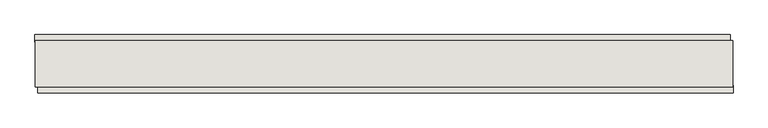
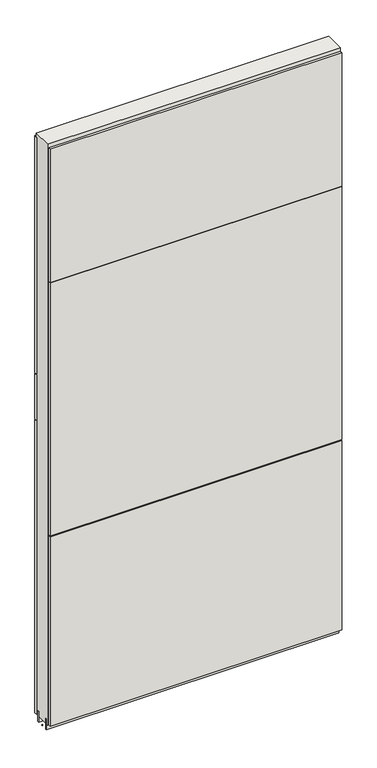
"""IFC4 building model written with IfcOpenShell, lengths in millimetres: wall geometry."""

from ifc_helpers import new_model, si_unit, frame, origin, place, context, project, spatial, polyline, outline, extrude, source, transform, mapped, element, save


def wall_b662fb53(model_context):
    return source(origin(), model_context, "Body", "SweptSolid", [
        extrude(outline(polyline([(41657.2761976, -42604.827668), (41654.7361976, -42604.827668), (41654.7361976, -42602.287668), (41657.2761976, -42602.287668), (41657.2761976, -42604.827668)])), frame((0.0, 0.0, 4419.6), z_axis=(0.0, 0.0, 1.0), x_axis=(1.0, 0.0, 0.0)), (0.0, 0.0, 1.0), 2.54),
        extrude(outline(polyline([(41654.2730794, -42552.757668), (42869.4730874, -42552.757668), (42869.4730874, -42565.457668), (41654.2730794, -42565.457668), (41654.2730794, -42552.757668)])), frame((0.0, 0.0, 5945.6000722), z_axis=(0.0, 0.0, 1.0), x_axis=(1.0, 0.0, 0.0)), (0.0, 0.0, 1.0), 1044.449905),
        extrude(outline(polyline([(41654.2730794, -42552.757668), (42869.4730874, -42552.757668), (42869.4730874, -42565.457668), (41654.2730794, -42565.457668), (41654.2730794, -42552.757668)])), frame((0.0, 0.0, 5742.3999706), z_axis=(0.0, 0.0, 1.0), x_axis=(1.0, 0.0, 0.0)), (0.0, 0.0, 1.0), 199.2000512),
        extrude(outline(polyline([(41654.2730794, -42552.757668), (42869.4730874, -42552.757668), (42869.4730874, -42565.457668), (41654.2730794, -42565.457668), (41654.2730794, -42552.757668)])), frame((0.0, 0.0, 4445.0), z_axis=(0.0, 0.0, 1.0), x_axis=(1.0, 0.0, 0.0)), (0.0, 0.0, 1.0), 1293.400004),
        extrude(outline(polyline([(42874.4030242, -42654.357668), (41659.2030162, -42654.357668), (41659.2030162, -42641.657668), (42874.4030242, -42641.657668), (42874.4030242, -42654.357668)])), frame((0.0, 0.0, 6402.8000722), z_axis=(0.0, 0.0, 1.0), x_axis=(1.0, 0.0, 0.0)), (0.0, 0.0, 1.0), 587.2498034),
        extrude(outline(polyline([(42874.4030242, -42654.357668), (41659.2030162, -42654.357668), (41659.2030162, -42641.657668), (42874.4030242, -42641.657668), (42874.4030242, -42654.357668)])), frame((0.0, 0.0, 5285.2000722), z_axis=(0.0, 0.0, 1.0), x_axis=(1.0, 0.0, 0.0)), (0.0, 0.0, 1.0), 1113.5999572),
        extrude(outline(polyline([(42874.4030242, -42654.357668), (41659.2030162, -42654.357668), (41659.2030162, -42641.657668), (42874.4030242, -42641.657668), (42874.4030242, -42654.357668)])), frame((0.0, 0.0, 4445.0), z_axis=(0.0, 0.0, 1.0), x_axis=(1.0, 0.0, 0.0)), (0.0, 0.0, 1.0), 836.200004),
        extrude(outline(polyline([(42873.9287554, -42578.4770222), (41654.7287554, -42578.4770222), (41654.7287554, -42573.3982668), (42873.9287554, -42573.3982668), (42873.9287554, -42578.4770222)])), frame((0.0, 0.0, 4418.6602), z_axis=(0.0, 0.0, 1.0), x_axis=(1.0, 0.0, 0.0)), (0.0, 0.0, 1.0), 47.625),
        extrude(outline(polyline([(42873.9287554, -42578.4770222), (41654.7287554, -42578.4770222), (41654.7287554, -42573.3982668), (42873.9287554, -42573.3982668), (42873.9287554, -42578.4770222)])), frame((0.0, 0.0, 4418.6602), z_axis=(0.0, 0.0, 1.0), x_axis=(1.0, 0.0, 0.0)), (0.0, 0.0, 1.0), 47.625),
        extrude(outline(polyline([(41654.7287554, -42628.6414126), (42873.9287554, -42628.6414126), (42873.9287554, -42633.7232668), (41654.7287554, -42633.7232668), (41654.7287554, -42628.6414126)])), frame((0.0, 0.0, 4418.6602), z_axis=(0.0, 0.0, 1.0), x_axis=(1.0, 0.0, 0.0)), (0.0, 0.0, 1.0), 47.625),
        extrude(outline(polyline([(41654.7287554, -42628.6414126), (42873.9287554, -42628.6414126), (42873.9287554, -42633.7232668), (41654.7287554, -42633.7232668), (41654.7287554, -42628.6414126)])), frame((0.0, 0.0, 4418.6602), z_axis=(0.0, 0.0, 1.0), x_axis=(1.0, 0.0, 0.0)), (0.0, 0.0, 1.0), 47.625),
        extrude(outline(polyline([(42873.9287554, -42562.933797), (42873.9287554, -42644.2125524), (41654.7287554, -42644.2125524), (41654.7287554, -42562.9058824), (42873.9287554, -42562.933797)])), frame((0.0, 0.0, 4445.0), z_axis=(0.0, 0.0, 1.0), x_axis=(1.0, 0.0, 0.0)), (0.0, 0.0, 1.0), 2562.4536762),
    ])


if __name__ == "__main__":
    model = new_model("IFC4")
    model_context = context("Model", 3, world=origin())
    ifc_project = project(units=[si_unit("LENGTHUNIT", "METRE", prefix="MILLI")], contexts=[model_context])
    site = spatial("IfcSite", under=ifc_project)
    building = spatial("IfcBuilding", under=site)
    placement = place(None, origin())
    wall_shape = wall_b662fb53(model_context)
    element("IfcWall", 1, at=placement, inside=building, context=model_context, shape_type="MappedRepresentation", body=[
        mapped(wall_shape, transform((0.0, 0.0, 0.0), x_axis=(1.0, 0.0, 0.0), y_axis=(0.0, 1.0, 0.0), z_axis=(0.0, 0.0, 1.0))),
    ])
    save(model, "model.ifc")
